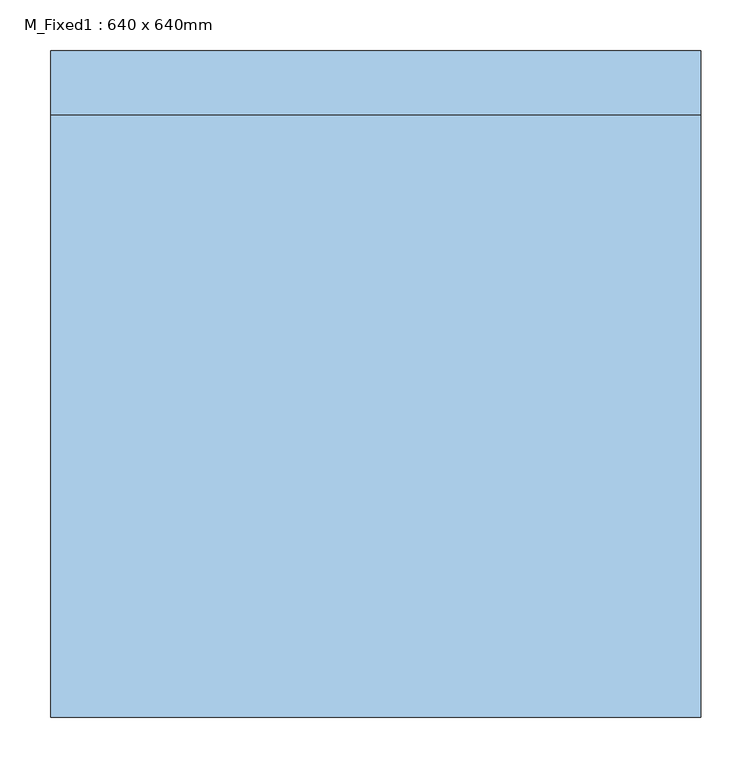
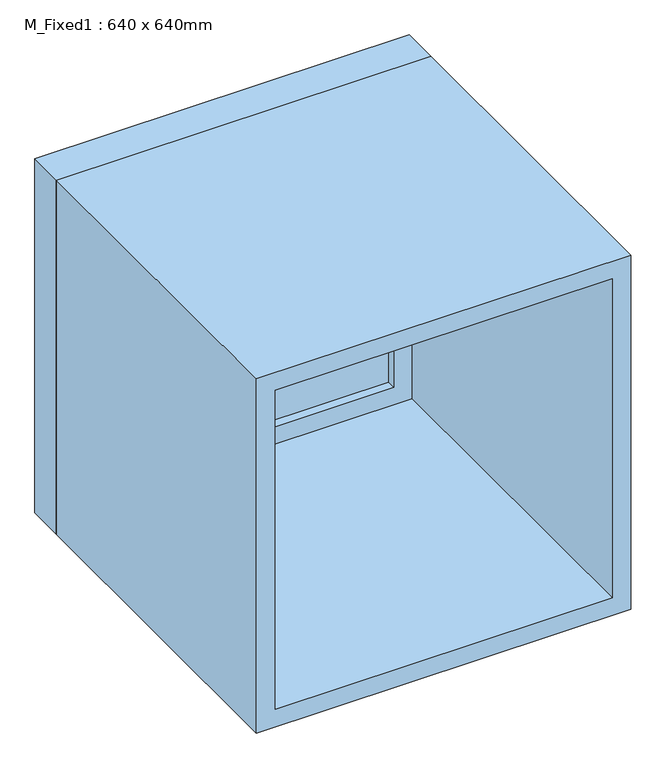
"""IFC4 building model written with IfcOpenShell, lengths in millimetres: window geometry, M_Fixed1 : 640 x 640mm."""

from ifc_helpers import new_model, si_unit, frame, origin, place, context, project, spatial, polyline, outline, extrude, source, transform, mapped, element, save


def m_fixed1_640_x_640mm_50cb3e9f(model_context):
    return source(origin(), model_context, "Body", "SweptSolid", [
        extrude(outline(polyline([(-257.0, 306.0101342), (257.0, 306.0101342), (257.0, 294.0101342), (-257.0, 294.0101342), (-257.0, 306.0101342)])), frame((0.0, 0.0, 978.0), z_axis=(0.0, 0.0, 1.0), x_axis=(1.0, 0.0, 0.0)), (0.0, 0.0, 1.0), 514.0),
        extrude(outline(polyline([(1536.0, -301.0), (934.0, -301.0), (934.0, 301.0), (1536.0, 301.0), (1536.0, -301.0)]), holes=[polyline([(1492.0, -257.0), (1492.0, 257.0), (978.0, 257.0), (978.0, -257.0), (1492.0, -257.0)])]), frame((0.0, 278.0101342, 0.0), z_axis=(0.0, 1.0, 0.0), x_axis=(0.0, 0.0, 1.0)), (0.0, 0.0, 1.0), 44.0),
        extrude(outline(polyline([(1555.0, -320.0), (915.0, -320.0), (915.0, 320.0), (1555.0, 320.0), (1555.0, -320.0)]), holes=[polyline([(1536.0, -301.0), (1536.0, 301.0), (934.0, 301.0), (934.0, -301.0), (1536.0, -301.0)])]), frame((0.0, 278.0101342, 0.0), z_axis=(0.0, 1.0, 0.0), x_axis=(0.0, 0.0, 1.0)), (0.0, 0.0, 1.0), 63.0),
        extrude(outline(polyline([(1555.0, -320.0), (915.0, -320.0), (915.0, 320.0), (1555.0, 320.0), (1555.0, -320.0)]), holes=[polyline([(1523.0, -288.0), (1523.0, 288.0), (947.0, 288.0), (947.0, -288.0), (1523.0, -288.0)])]), frame((0.0, -315.0101342, 0.0), z_axis=(0.0, 1.0, 0.0), x_axis=(0.0, 0.0, 1.0)), (0.0, 0.0, 1.0), 593.0202684),
    ])


if __name__ == "__main__":
    model = new_model("IFC4")
    model_context = context("Model", 3, world=origin())
    ifc_project = project(units=[si_unit("LENGTHUNIT", "METRE", prefix="MILLI")], contexts=[model_context])
    site = spatial("IfcSite", under=ifc_project)
    building = spatial("IfcBuilding", under=site)
    placement = place(None, origin())
    m_fixed1_640_x_640mm_shape = m_fixed1_640_x_640mm_50cb3e9f(model_context)
    element("IfcWindow", 1, ObjectType="M_Fixed1 : 640 x 640mm", at=placement, inside=building, context=model_context, shape_type="MappedRepresentation", body=[
        mapped(m_fixed1_640_x_640mm_shape, transform((0.0, 0.0, 0.0), x_axis=(1.0, 0.0, 0.0), y_axis=(0.0, 1.0, 0.0), z_axis=(0.0, 0.0, 1.0))),
    ])
    save(model, "model.ifc")
